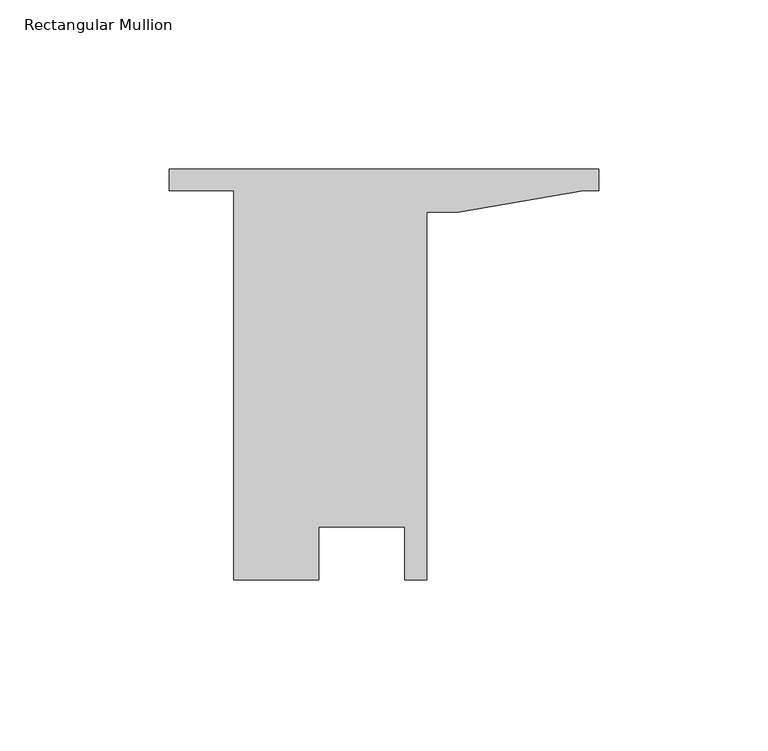
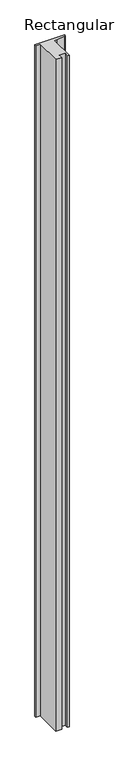
"""IFC4 building model written with IfcOpenShell, lengths in millimetres: member geometry, Rectangular Mullion."""

from ifc_helpers import new_model, si_unit, frame, origin, place, context, project, spatial, polyline, outline, extrude, source, transform, mapped, element, save


def rectangular_mullion_bdc11746(model_context):
    return source(origin(), model_context, "Body", "SweptSolid", [
        extrude(outline(polyline([(0.0, 0.0), (0.0, -6.35), (-4.4427803, -6.35), (-41.4348023, -12.7), (-50.8, -12.7), (-50.8, -121.44375), (-57.3657969, -121.44375), (-57.3657969, -105.8227501), (-82.7484375, -105.8227501), (-82.7484375, -121.4437501), (-107.949897, -121.4437501), (-107.949897, -6.35), (-127.0, -6.35), (-127.0, 0.0), (0.0, 0.0)])), frame((0.0, 0.0, -3048.0), z_axis=(0.0, 0.0, 1.0), x_axis=(1.0, 0.0, 0.0)), (0.0, 0.0, 1.0), 3048.0),
    ])


if __name__ == "__main__":
    model = new_model("IFC4")
    model_context = context("Model", 3, world=origin())
    ifc_project = project(units=[si_unit("LENGTHUNIT", "METRE", prefix="MILLI")], contexts=[model_context])
    site = spatial("IfcSite", under=ifc_project)
    building = spatial("IfcBuilding", under=site)
    placement = place(None, origin())
    rectangular_mullion_shape = rectangular_mullion_bdc11746(model_context)
    element("IfcMember", 1, ObjectType="Rectangular Mullion", at=placement, inside=building, context=model_context, shape_type="MappedRepresentation", body=[
        mapped(rectangular_mullion_shape, transform((0.0, 0.0, 0.0), x_axis=(1.0, 0.0, 0.0), y_axis=(0.0, 1.0, 0.0), z_axis=(0.0, 0.0, 1.0))),
    ])
    save(model, "model.ifc")
